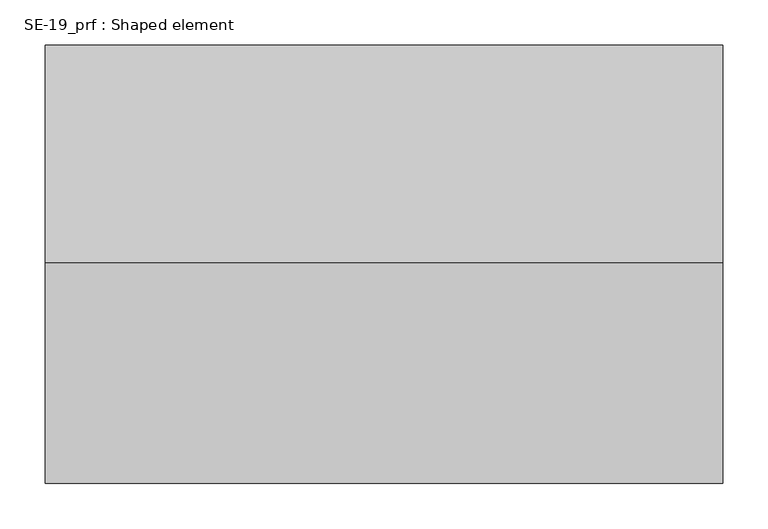
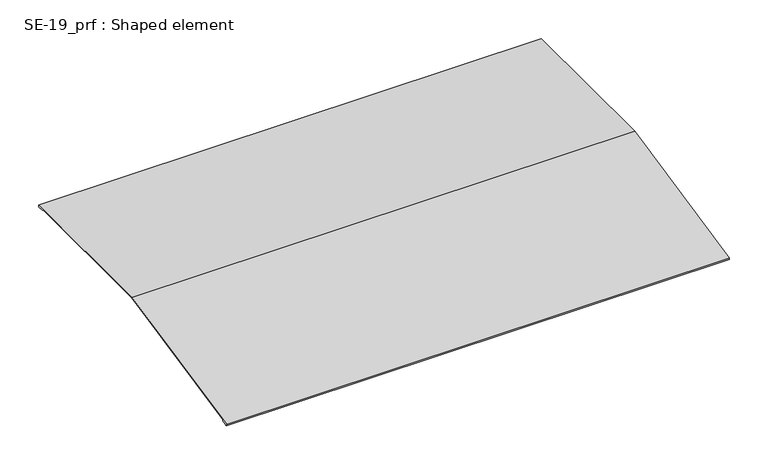
"""IFC4 building model written with IfcOpenShell, lengths in millimetres: proxy geometry, SE-19_prf : Shaped element."""

from ifc_helpers import new_model, si_unit, frame, origin, place, context, project, spatial, polyline, outline, extrude, source, transform, mapped, element, save


def se_19_prf_shaped_element_87b02456(model_context):
    return source(origin(), model_context, "Body", "SweptSolid", [
        extrude(outline(polyline([(240.5367739, 5.0), (240.5367739, 2.0), (230.5367739, 2.0), (230.5367739, 3.0), (239.5367739, 3.0), (239.5367739, 4.0), (-0.4204169, 4.0), (-243.8763621, -47.7481586), (-243.6684504, -48.7263062), (-234.865122, -46.855101), (-234.6572103, -47.8332486), (-244.4386863, -49.9123655), (-245.0624214, -46.9779227), (-0.5255212, 5.0), (240.5367739, 5.0)])), frame((0.0, 0.0, 0.0), z_axis=(1.0, 0.0, 0.0), x_axis=(0.0, 1.0, 0.0)), (0.0, 0.0, 1.0), 750.0),
    ])


if __name__ == "__main__":
    model = new_model("IFC4")
    model_context = context("Model", 3, world=origin())
    ifc_project = project(units=[si_unit("LENGTHUNIT", "METRE", prefix="MILLI")], contexts=[model_context])
    site = spatial("IfcSite", under=ifc_project)
    building = spatial("IfcBuilding", under=site)
    placement = place(None, origin())
    se_19_prf_shaped_element_shape = se_19_prf_shaped_element_87b02456(model_context)
    element("IfcBuildingElementProxy", 1, Name="SE-19_prf : Shaped element", ObjectType="SE-19_prf : Shaped element", at=placement, inside=building, context=model_context, shape_type="MappedRepresentation", body=[
        mapped(se_19_prf_shaped_element_shape, transform((0.0, 0.0, 0.0), x_axis=(1.0, 0.0, 0.0), y_axis=(0.0, 1.0, 0.0), z_axis=(0.0, 0.0, 1.0))),
    ])
    save(model, "model.ifc")
